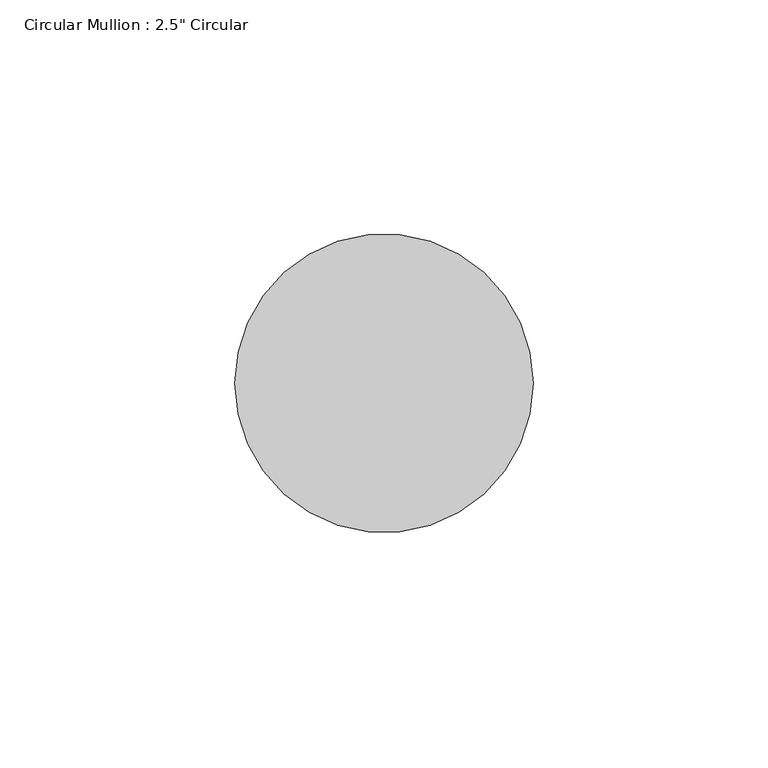
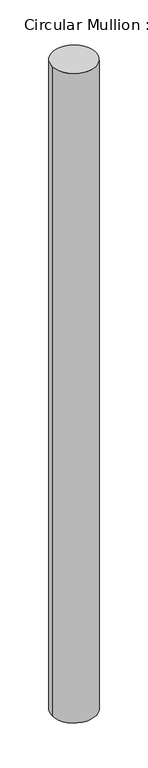
"""IFC4 building model written with IfcOpenShell, lengths in millimetres: member geometry."""

import ifcopenshell
import ifcopenshell.guid

model = None  # the IFC model being written
_history = None  # IfcOwnerHistory: only IFC2X3 demands one
_inside = {}  # id of a spatial element -> (the spatial element, [elements in it])
_under = {}  # id of a project, library or spatial element -> (it, [spatial elements below it])
_declared = {}  # id of a project -> (the project, [libraries it declares])
_typed = {}  # id of a type object -> (the type object, [elements of that type])
_made_of = {}  # id of a material, layer set ... -> (it, [elements and type objects made of it])


def new_model(schema):
    """Start an empty IFC model of exactly this schema.

    Asked for "IFC4X3", IfcOpenShell would pick the latest addendum, in which some entities
    have other attributes; the version numbers below select the first issue.
    IFC2X3 requires an IfcOwnerHistory on every rooted entity: one is made here for all.
    """
    global model, _history
    if schema == "IFC4X3":
        model = ifcopenshell.file(schema_version=(4, 3, 0, 0))
    else:
        model = ifcopenshell.file(schema=schema)
    _inside.clear()
    _under.clear()
    _declared.clear()
    _typed.clear()
    _made_of.clear()
    _history = None
    if model.schema == "IFC2X3":
        org = make("IfcOrganization", Name="unknown")
        user = make(
            "IfcPersonAndOrganization",
            ThePerson=make("IfcPerson", FamilyName="unknown"),
            TheOrganization=org,
        )
        app = make(
            "IfcApplication",
            ApplicationDeveloper=org,
            Version="unknown",
            ApplicationFullName="unknown",
            ApplicationIdentifier="unknown",
        )
        _history = make(
            "IfcOwnerHistory",
            OwningUser=user,
            OwningApplication=app,
            ChangeAction="ADDED",
            CreationDate=0,
        )
    return model


def make(cls, **values):
    """One entity of the class cls with the attributes given. An attribute that is None is left unset."""
    return model.create_entity(
        cls, **{name: value for name, value in values.items() if value is not None}
    )


def rooted(cls, **values):
    """An entity with a GlobalId (a new one), such as an element, a storey or a relation."""
    return make(cls, GlobalId=ifcopenshell.guid.new(), OwnerHistory=_history, **values)


def si_unit(unit_type, name, prefix=None):
    """IfcSIUnit, for example si_unit("LENGTHUNIT", "METRE", prefix="MILLI")."""
    return make("IfcSIUnit", UnitType=unit_type, Prefix=prefix, Name=name)


def assignment(units):
    """IfcUnitAssignment: the units of a project."""
    return None if units is None else make("IfcUnitAssignment", Units=units)


def point(xyz):
    """IfcCartesianPoint."""
    return None if xyz is None else make("IfcCartesianPoint", Coordinates=xyz)


def direction(xyz):
    """IfcDirection."""
    return None if xyz is None else make("IfcDirection", DirectionRatios=xyz)


def frame(location, z_axis=None, x_axis=None):
    """IfcAxis2Placement3D, a coordinate frame: its origin and axes. An axis left out is left unset."""
    return make(
        "IfcAxis2Placement3D",
        Location=point(location),
        Axis=direction(z_axis),
        RefDirection=direction(x_axis),
    )


def frame_2d(location, x_axis=None):
    """IfcAxis2Placement2D, a coordinate frame in the plane: its origin and x axis."""
    return make(
        "IfcAxis2Placement2D", Location=point(location), RefDirection=direction(x_axis)
    )


def origin():
    """The frame at (0, 0, 0) with its axes left unset."""
    return frame((0.0, 0.0, 0.0))


def origin_2d():
    """The frame at (0, 0) in the plane with its x axis left unset."""
    return frame_2d((0.0, 0.0))


def place(relative_to, where):
    """IfcLocalPlacement: puts the frame where relative to a parent placement (None: the world)."""
    return make(
        "IfcLocalPlacement", PlacementRelTo=relative_to, RelativePlacement=where
    )


def context(
    kind, dimensions, precision=None, world=None, true_north=None, identifier=None
):
    """IfcGeometricRepresentationContext, for example the 3D "Model" context."""
    return make(
        "IfcGeometricRepresentationContext",
        ContextIdentifier=identifier,
        ContextType=kind,
        CoordinateSpaceDimension=dimensions,
        Precision=precision,
        WorldCoordinateSystem=world,
        TrueNorth=true_north,
    )


def project(units=None, contexts=None):
    """IfcProject with its units and contexts."""
    return rooted(
        "IfcProject",
        Name="project",
        RepresentationContexts=contexts,
        UnitsInContext=assignment(units),
    )


def spatial(cls, under=None, at=None, **own):
    """A site, building, storey or space (cls), placed at a placement, below another one or the project."""
    s = rooted(cls, ObjectPlacement=at, **own)
    if under is not None:
        _under.setdefault(under.id(), (under, []))[1].append(s)
    return s


def circle_curve(where, radius):
    """IfcCircle in the frame where."""
    return make("IfcCircle", Position=where, Radius=radius)


def trimmed(basis, trim1, trim2, sense, master):
    """IfcTrimmedCurve: the piece of a basis curve between two trims."""
    return make(
        "IfcTrimmedCurve",
        BasisCurve=basis,
        Trim1=trim1,
        Trim2=trim2,
        SenseAgreement=sense,
        MasterRepresentation=master,
    )


def segment(curve, same_sense, transition):
    """IfcCompositeCurveSegment."""
    return make(
        "IfcCompositeCurveSegment",
        Transition=transition,
        SameSense=same_sense,
        ParentCurve=curve,
    )


def composite_curve(segments, self_intersect=None):
    """IfcCompositeCurve: segments joined end to end."""
    return make("IfcCompositeCurve", Segments=segments, SelfIntersect=self_intersect)


def outline(outer, holes=None, kind="AREA"):
    """IfcArbitraryClosedProfileDef: a profile drawn as a closed curve; with holes, ...WithVoids."""
    if holes is None:
        return make("IfcArbitraryClosedProfileDef", ProfileType=kind, OuterCurve=outer)
    return make(
        "IfcArbitraryProfileDefWithVoids",
        ProfileType=kind,
        OuterCurve=outer,
        InnerCurves=holes,
    )


def extrude(swept, where, along, depth):
    """IfcExtrudedAreaSolid: the profile swept, set in the frame where, extruded along a direction by depth."""
    return make(
        "IfcExtrudedAreaSolid",
        SweptArea=swept,
        Position=where,
        ExtrudedDirection=direction(along),
        Depth=depth,
    )


def shape(context_of_items, identifier, shape_type, items):
    """IfcShapeRepresentation: the items that make up one representation, for example the "Body"."""
    return make(
        "IfcShapeRepresentation",
        ContextOfItems=context_of_items,
        RepresentationIdentifier=identifier,
        RepresentationType=shape_type,
        Items=items,
    )


def source(mapping_origin, context_of_items, identifier, shape_type, items):
    """IfcRepresentationMap: a shape defined once, which mapped items show again and again."""
    return make(
        "IfcRepresentationMap",
        MappingOrigin=mapping_origin,
        MappedRepresentation=shape(context_of_items, identifier, shape_type, items),
    )


def transform(
    local_origin,
    x_axis=None,
    y_axis=None,
    z_axis=None,
    scale=None,
    scale2=None,
    scale3=None,
    uniform=True,
):
    """IfcCartesianTransformationOperator3D, or its non-uniform kind. x_axis, y_axis, z_axis: its Axis1, 2, 3."""
    if uniform:
        return make(
            "IfcCartesianTransformationOperator3D",
            Axis1=direction(x_axis),
            Axis2=direction(y_axis),
            LocalOrigin=point(local_origin),
            Scale=scale,
            Axis3=direction(z_axis),
        )
    return make(
        "IfcCartesianTransformationOperator3DnonUniform",
        Axis1=direction(x_axis),
        Axis2=direction(y_axis),
        LocalOrigin=point(local_origin),
        Scale=scale,
        Axis3=direction(z_axis),
        Scale2=scale2,
        Scale3=scale3,
    )


def mapped(mapping_source, mapping_target):
    """IfcMappedItem: shows the shape of a source again, moved by a transform."""
    return make(
        "IfcMappedItem", MappingSource=mapping_source, MappingTarget=mapping_target
    )


def made_of(thing, what):
    """Note that an element or type object is made of a material, layer set ...; save() writes the relation."""
    if what is not None:
        _made_of.setdefault(what.id(), (what, []))[1].append(thing)
    return thing


def element(
    cls,
    number,
    at=None,
    inside=None,
    cuts=None,
    type_object=None,
    material=None,
    context=None,
    identifier="Body",
    shape_type=None,
    held_by="IfcProductDefinitionShape",
    body=None,
    shapes=None,
    **own,
):
    """One element of the class cls, such as IfcWall. Its Tag is "e" and its number.

    at: its placement. inside: the storey or other place that contains it. cuts: it is an
    opening in that element (IfcRelVoidsElement). A single representation is given by context,
    identifier, shape_type and body (its items); several are given by shapes. held_by: the class
    of the entity that holds the representations. save() writes the other relations.
    """
    e = rooted(cls, Tag="e%d" % number, ObjectPlacement=at, **own)
    if body is not None:
        shapes = [shape(context, identifier, shape_type, body)]
    if shapes is not None:
        e.Representation = make(held_by, Representations=shapes)
    if inside is not None:
        _inside.setdefault(inside.id(), (inside, []))[1].append(e)
    if cuts is not None:
        rooted(
            "IfcRelVoidsElement", RelatingBuildingElement=cuts, RelatedOpeningElement=e
        )
    if type_object is not None:
        _typed.setdefault(type_object.id(), (type_object, []))[1].append(e)
    return made_of(e, material)


def aggregate(whole, parts):
    """IfcRelAggregates: a whole, such as a stair, and the parts it consists of."""
    return rooted("IfcRelAggregates", RelatingObject=whole, RelatedObjects=parts)


def save(model, path):
    """Write the relations noted so far, then the file.

    IfcRelAggregates (storeys below a building ...), IfcRelContainedInSpatialStructure (elements
    in a storey), IfcRelDefinesByType, IfcRelAssociatesMaterial and IfcRelDeclares: one each for
    every whole, place, type object, material and project.
    """
    for whole, parts in _under.values():
        aggregate(whole, parts)
    for where, things in _inside.values():
        rooted(
            "IfcRelContainedInSpatialStructure",
            RelatedElements=things,
            RelatingStructure=where,
        )
    for kind, things in _typed.values():
        rooted("IfcRelDefinesByType", RelatedObjects=things, RelatingType=kind)
    for what, things in _made_of.values():
        rooted("IfcRelAssociatesMaterial", RelatedObjects=things, RelatingMaterial=what)
    for by, libraries in _declared.values():
        rooted("IfcRelDeclares", RelatingContext=by, RelatedDefinitions=libraries)
    model.write(path)


def member_102cf16a(model_context):
    return source(origin(), model_context, "Body", "SweptSolid", [
        extrude(outline(composite_curve([segment(trimmed(circle_curve(origin_2d(), 31.75), [point((31.75, 0.0))], [point((-31.75, 0.0))], False, "CARTESIAN"), True, "CONTINUOUS"), segment(trimmed(circle_curve(origin_2d(), 31.75), [point((-31.75, 0.0))], [point((31.75, 0.0))], False, "CARTESIAN"), True, "CONTINUOUS")], self_intersect=False)), frame((0.0, 0.0, -1000.0), z_axis=(0.0, 0.0, 1.0), x_axis=(1.0, 0.0, 0.0)), (0.0, 0.0, 1.0), 1000.0),
    ])


if __name__ == "__main__":
    model = new_model("IFC4")
    model_context = context("Model", 3, world=origin())
    ifc_project = project(units=[si_unit("LENGTHUNIT", "METRE", prefix="MILLI")], contexts=[model_context])
    site = spatial("IfcSite", under=ifc_project)
    building = spatial("IfcBuilding", under=site)
    placement = place(None, origin())
    member_shape = member_102cf16a(model_context)
    element("IfcMember", 1, ObjectType="Circular Mullion : 2.5\" Circular", at=placement, inside=building, context=model_context, shape_type="MappedRepresentation", body=[
        mapped(member_shape, transform((0.0, 0.0, 0.0), x_axis=(1.0, 0.0, 0.0), y_axis=(0.0, 1.0, 0.0), z_axis=(0.0, 0.0, 1.0))),
    ])
    save(model, "model.ifc")
